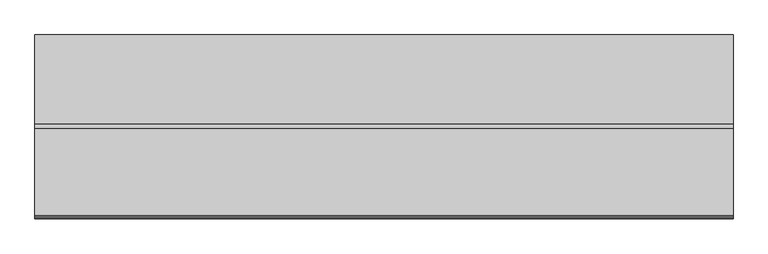
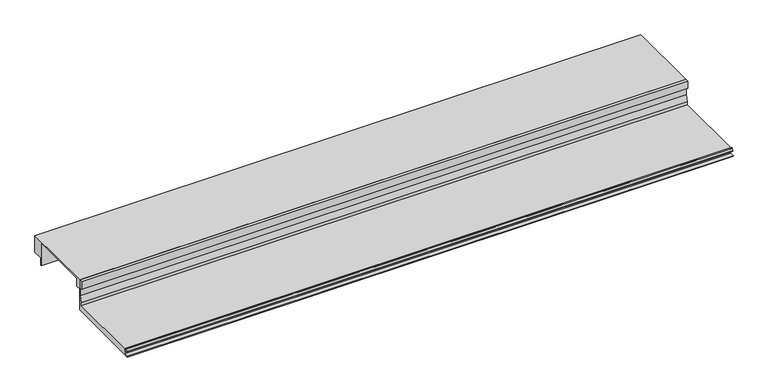
"""IFC4 building model written with IfcOpenShell, lengths in millimetres: proxy geometry."""

from ifc_helpers import new_model, si_unit, point, frame, frame_2d, origin, place, context, project, spatial, polyline, circle_curve, trimmed, segment, composite_curve, outline, extrude, source, transform, mapped, element, save


def specialty_equipment_9139901d(model_context):
    return source(origin(), model_context, "Body", "SweptSolid", [
        extrude(outline(polyline([(165.632524, 63.5), (321.207524, 63.5), (321.207524, 28.575), (301.4629927, 28.575), (301.4629927, 12.7), (299.1809615, 12.7), (299.1809615, 61.1898306), (175.284524, 61.1898306), (175.284524, 44.45), (165.632524, 44.45), (165.632524, 63.5)])), frame((0.0, 0.0, 0.0), z_axis=(1.0, 0.0, 0.0), x_axis=(0.0, 1.0, 0.0)), (0.0, 0.0, 1.0), 1219.2),
        extrude(outline(composite_curve([segment(polyline([(165.632524, 0.0), (0.0, 0.0), (0.0, 1.651), (8.368424, 1.7970714), (8.368424, 9.7466904)]), True, "CONTINUOUS"), segment(trimmed(circle_curve(frame_2d((7.805541, 9.7466904)), 0.562883), [point((8.368424, 9.7466904))], [point((7.805541, 10.3095735))], True, "CARTESIAN"), True, "CONTINUOUS"), segment(polyline([(7.805541, 10.3095735), (1.0402986, 10.3095735)]), True, "CONTINUOUS"), segment(trimmed(circle_curve(frame_2d((1.0402986, 10.8138628)), 0.5042893), [point((1.0402986, 10.3095735))], [point((0.5832573, 11.0269846))], False, "CARTESIAN"), True, "CONTINUOUS"), segment(polyline([(0.5832573, 11.0269846), (2.843924, 15.875), (5.206124, 15.875), (5.206124, 12.7), (159.282524, 12.7), (159.282524, 19.05), (163.346524, 31.75), (163.346524, 46.0298451), (158.495124, 48.3942822), (158.495124, 63.5), (165.632524, 63.5), (165.632524, 0.0)]), True, "CONTINUOUS")], self_intersect=False)), frame((0.0, 0.0, 0.0), z_axis=(1.0, 0.0, 0.0), x_axis=(0.0, 1.0, 0.0)), (0.0, 0.0, 1.0), 1219.2),
    ])


if __name__ == "__main__":
    model = new_model("IFC4")
    model_context = context("Model", 3, world=origin())
    ifc_project = project(units=[si_unit("LENGTHUNIT", "METRE", prefix="MILLI")], contexts=[model_context])
    site = spatial("IfcSite", under=ifc_project)
    building = spatial("IfcBuilding", under=site)
    placement = place(None, origin())
    specialty_equipment_shape = specialty_equipment_9139901d(model_context)
    element("IfcBuildingElementProxy", 1, Name="Specialty Equipment", at=placement, inside=building, context=model_context, shape_type="MappedRepresentation", body=[
        mapped(specialty_equipment_shape, transform((0.0, 0.0, 0.0), x_axis=(1.0, 0.0, 0.0), y_axis=(0.0, 1.0, 0.0), z_axis=(0.0, 0.0, 1.0))),
    ])
    save(model, "model.ifc")
